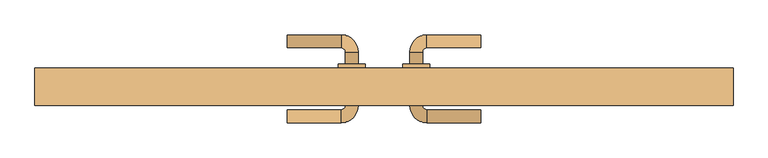
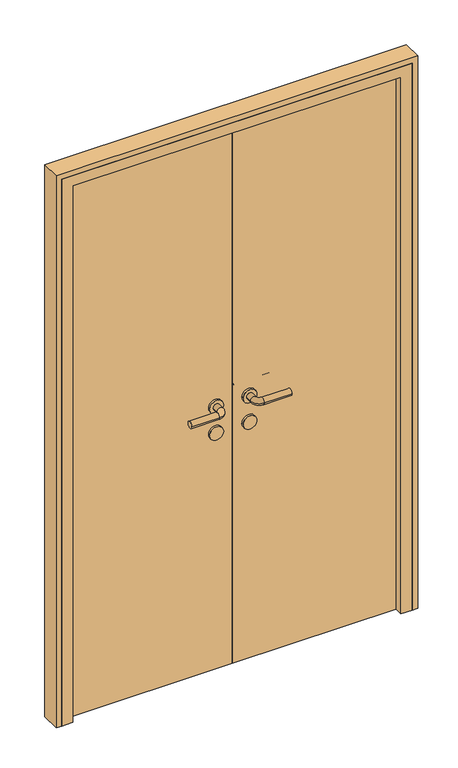
"""IFC4 building model written with IfcOpenShell, lengths in millimetres: door geometry."""

from ifc_helpers import new_model, si_unit, point, frame, frame_2d, origin, origin_with_axes, place, context, project, spatial, polyline, circle_curve, ellipse_curve, trimmed, segment, composite_curve, outline, extrude, faceted_brep, source, transform, mapped, element, save
from ifc_brep_helpers import plane_surface, cylinder_surface, revolved_surface, advanced_brep


def door_662453b5(model_context):
    return source(origin(), model_context, "Body", "SolidModel", [
        advanced_brep(
        [(-180.0, 162.0, 1000.0), (-180.0, 138.0, 1000.0), (-80.0, 138.0, 1000.0), (-80.0, 162.0, 1000.0), (-72.0, 130.0, 1000.0), (-48.0, 130.0, 1000.0), (-48.0, 30.0, 1000.0), (-48.0, 52.0, 1000.0), (-72.0, 52.0, 1000.0), (-72.0, 30.0, 1000.0), (-72.0, 108.0, 1000.0), (-48.0, 108.0, 1000.0), (-80.0, 22.0, 1000.0), (-80.0, -2.0, 1000.0), (-180.0, -2.0, 1000.0), (-180.0, 22.0, 1000.0), (-35.0, 108.0, 1000.0), (-85.0, 108.0, 1000.0), (-35.0, 52.0, 1000.0), (-85.0, 52.0, 1000.0)],
        [
            (0, 1, circle_curve(frame((-180.0, 150.0, 1000.0), z_axis=(-1.0, 0.0, 0.0), x_axis=(0.0, -1.0, 0.0)), 12.0)),
            (1, 0, circle_curve(frame((-180.0, 150.0, 1000.0), z_axis=(-1.0, 0.0, 0.0), x_axis=(0.0, -1.0, 0.0)), 12.0)),
            (1, 2),
            (2, 3, circle_curve(frame((-80.0, 150.0, 1000.0), z_axis=(-1.0, 0.0, 0.0), x_axis=(0.0, -1.0, 0.0)), 12.0)),
            (3, 0),
            (3, 2, circle_curve(frame((-80.0, 150.0, 1000.0), z_axis=(-1.0, 0.0, 0.0), x_axis=(0.0, -1.0, 0.0)), 12.0)),
            (2, 4, circle_curve(frame((-80.0, 130.0, 1000.0), z_axis=(0.0, 0.0, -1.0), x_axis=(0.0, 1.0, 0.0)), 8.0)),
            (4, 5, circle_curve(frame((-60.0, 130.0, 1000.0), z_axis=(0.0, 1.0, 0.0), x_axis=(-1.0, 0.0, 0.0)), 12.0)),
            (5, 3, circle_curve(frame((-80.0, 130.0, 1000.0), z_axis=(0.0, 0.0, 1.0), x_axis=(0.0, 1.0, 0.0)), 32.0)),
            (5, 4, circle_curve(frame((-60.0, 130.0, 1000.0), z_axis=(0.0, 1.0, 0.0), x_axis=(-1.0, 0.0, 0.0)), 12.0)),
            (6, 7),
            (7, 8, circle_curve(frame((-60.0, 52.0, 1000.0), z_axis=(0.0, -1.0, 0.0), x_axis=(-1.0, 0.0, 0.0)), 12.0)),
            (8, 9),
            (9, 6, circle_curve(frame((-60.0, 30.0, 1000.0), z_axis=(0.0, 1.0, 0.0), x_axis=(-1.0, 0.0, 0.0)), 12.0)),
            (4, 10),
            (10, 11, circle_curve(frame((-60.0, 108.0, 1000.0), z_axis=(0.0, 1.0, 0.0), x_axis=(-1.0, 0.0, 0.0)), 12.0)),
            (11, 5),
            (11, 10, circle_curve(frame((-60.0, 108.0, 1000.0), z_axis=(0.0, 1.0, 0.0), x_axis=(-1.0, 0.0, 0.0)), 12.0)),
            (8, 7, circle_curve(frame((-60.0, 52.0, 1000.0), z_axis=(0.0, -1.0, 0.0), x_axis=(-1.0, 0.0, 0.0)), 12.0)),
            (6, 9, circle_curve(frame((-60.0, 30.0, 1000.0), z_axis=(0.0, 1.0, 0.0), x_axis=(-1.0, 0.0, 0.0)), 12.0)),
            (9, 12, circle_curve(frame((-80.0, 30.0, 1000.0), z_axis=(0.0, 0.0, -1.0), x_axis=(1.0, 0.0, 0.0)), 8.0)),
            (12, 13, circle_curve(frame((-80.0, 10.0, 1000.0), z_axis=(1.0, 0.0, 0.0), x_axis=(0.0, 1.0, 0.0)), 12.0)),
            (13, 6, circle_curve(frame((-80.0, 30.0, 1000.0), z_axis=(0.0, 0.0, 1.0), x_axis=(1.0, 0.0, 0.0)), 32.0)),
            (13, 12, circle_curve(frame((-80.0, 10.0, 1000.0), z_axis=(1.0, 0.0, 0.0), x_axis=(0.0, 1.0, 0.0)), 12.0)),
            (14, 15, circle_curve(frame((-180.0, 10.0, 1000.0), z_axis=(-1.0, 0.0, 0.0), x_axis=(0.0, 1.0, 0.0)), 12.0)),
            (15, 14, circle_curve(frame((-180.0, 10.0, 1000.0), z_axis=(-1.0, 0.0, 0.0), x_axis=(0.0, 1.0, 0.0)), 12.0)),
            (12, 15),
            (14, 13),
            (16, 17, circle_curve(frame((-60.0, 108.0, 1000.0), z_axis=(0.0, 1.0, 0.0), x_axis=(-1.0, 0.0, 0.0)), 25.0)),
            (17, 16, circle_curve(frame((-60.0, 108.0, 1000.0), z_axis=(0.0, 1.0, 0.0), x_axis=(-1.0, 0.0, 0.0)), 25.0)),
            (18, 19, circle_curve(frame((-60.0, 52.0, 1000.0), z_axis=(0.0, -1.0, 0.0), x_axis=(-1.0, 0.0, 0.0)), 25.0)),
            (19, 18, circle_curve(frame((-60.0, 52.0, 1000.0), z_axis=(0.0, -1.0, 0.0), x_axis=(-1.0, 0.0, 0.0)), 25.0)),
            (16, 18),
            (19, 17),
        ],
        [
            plane_surface(frame((-180.0, 150.0, 1000.0), z_axis=(-1.0, 0.0, 0.0), x_axis=(0.0, 0.0, 1.0))),
            cylinder_surface(frame((-180.0, 150.0, 1000.0), z_axis=(-1.0, 0.0, 0.0), x_axis=(0.0, -1.0, 0.0)), 12.0),
            revolved_surface(trimmed(ellipse_curve(frame((-80.0, 150.0, 1000.0), z_axis=(1.0, 0.0, 0.0), x_axis=(0.0, -1.0, 0.0)), 12.0, 12.0), [point((-80.0, 162.0, 1000.0))], [point((-80.0, 138.0, 1000.0))], True, "CARTESIAN"), (-80.0, 130.0, 1000.0), (0.0, 0.0, 1.0)),
            revolved_surface(trimmed(ellipse_curve(frame((-80.0, 150.0, 1000.0), z_axis=(1.0, 0.0, 0.0), x_axis=(0.0, -1.0, 0.0)), 12.0, 12.0), [point((-80.0, 138.0, 1000.0))], [point((-80.0, 162.0, 1000.0))], True, "CARTESIAN"), (-80.0, 130.0, 1000.0), (0.0, 0.0, 1.0)),
            cylinder_surface(frame((-60.0, 130.0, 1000.0), z_axis=(0.0, 1.0, 0.0), x_axis=(-1.0, 0.0, 0.0)), 12.0),
            revolved_surface(trimmed(ellipse_curve(frame((-60.0, 30.0, 1000.0), z_axis=(0.0, -1.0, 0.0), x_axis=(-1.0, 0.0, 0.0)), 12.0, 12.0), [point((-48.0, 30.0, 1000.0))], [point((-72.0, 30.0, 1000.0))], True, "CARTESIAN"), (-80.0, 30.0, 1000.0), (0.0, 0.0, 1.0)),
            revolved_surface(trimmed(ellipse_curve(frame((-60.0, 30.0, 1000.0), z_axis=(0.0, -1.0, 0.0), x_axis=(-1.0, 0.0, 0.0)), 12.0, 12.0), [point((-72.0, 30.0, 1000.0))], [point((-48.0, 30.0, 1000.0))], True, "CARTESIAN"), (-80.0, 30.0, 1000.0), (0.0, 0.0, 1.0)),
            plane_surface(frame((-180.0, 10.0, 1000.0), z_axis=(-1.0, 0.0, 0.0), x_axis=(0.0, 0.0, 1.0))),
            cylinder_surface(frame((-80.0, 10.0, 1000.0), z_axis=(1.0, 0.0, 0.0), x_axis=(0.0, 1.0, 0.0)), 12.0),
            plane_surface(frame((-85.0, 108.0, 1000.0), z_axis=(0.0, 1.0, 0.0), x_axis=(0.0, 0.0, -1.0))),
            plane_surface(frame((-85.0, 52.0, 1000.0), z_axis=(0.0, -1.0, 0.0), x_axis=(0.0, 0.0, 1.0))),
            cylinder_surface(frame((-60.0, 108.0, 1000.0), z_axis=(0.0, -1.0, 0.0), x_axis=(-1.0, 0.0, 0.0)), 25.0),
        ],
        [
            (0, [[1, 2]]),
            (1, [[3, 4, 5, -2]]),
            (1, [[-5, 6, -3, -1]]),
            (2, [[7, 8, 9, -4]]),
            (3, [[-9, 10, -7, -6]]),
            (4, [[11, 12, 13, 14]]),
            (4, [[15, 16, 17, -8]]),
            (4, [[-17, 18, -15, -10]]),
            (4, [[-13, 19, -11, 20]]),
            (5, [[21, 22, 23, -14]]),
            (6, [[-23, 24, -21, -20]]),
            (7, [[25, 26]]),
            (8, [[27, -25, 28, -22]]),
            (8, [[-28, -26, -27, -24]]),
            (9, [[29, 30], [-18, -16]]),
            (10, [[31, 32], [-19, -12]]),
            (11, [[33, -32, 34, -29]]),
            (11, [[-34, -31, -33, -30]]),
        ],
    ),
        extrude(outline(composite_curve([segment(trimmed(circle_curve(frame_2d((900.0, -60.0)), 25.0), [point((900.0, -35.0))], [point((900.0, -85.0))], False, "CARTESIAN"), True, "CONTINUOUS"), segment(trimmed(circle_curve(frame_2d((900.0, -60.0)), 25.0), [point((900.0, -85.0))], [point((900.0, -35.0))], False, "CARTESIAN"), True, "CONTINUOUS")], self_intersect=False)), frame((0.0, 52.0, 0.0), z_axis=(0.0, 1.0, 0.0), x_axis=(0.0, 0.0, 1.0)), (0.0, 0.0, 1.0), 56.0),
        advanced_brep(
        [(180.0, 162.0, 1000.0), (180.0, 138.0, 1000.0), (80.0, 162.0, 1000.0), (80.0, 138.0, 1000.0), (48.0, 130.0, 1000.0), (72.0, 130.0, 1000.0), (48.0, 108.0, 1000.0), (72.0, 108.0, 1000.0), (48.0, 30.0, 1000.0), (72.0, 30.0, 1000.0), (72.0, 52.0, 1000.0), (48.0, 52.0, 1000.0), (80.0, -2.0, 1000.0), (80.0, 22.0, 1000.0), (180.0, -2.0, 1000.0), (180.0, 22.0, 1000.0), (35.0, 108.0, 1000.0), (85.0, 108.0, 1000.0), (35.0, 52.0, 1000.0), (85.0, 52.0, 1000.0)],
        [
            (0, 1, circle_curve(frame((180.0, 150.0, 1000.0), z_axis=(1.0, 0.0, 0.0), x_axis=(0.0, -1.0, 0.0)), 12.0)),
            (1, 0, circle_curve(frame((180.0, 150.0, 1000.0), z_axis=(1.0, 0.0, 0.0), x_axis=(0.0, -1.0, 0.0)), 12.0)),
            (0, 2),
            (2, 3, circle_curve(frame((80.0, 150.0, 1000.0), z_axis=(1.0, 0.0, 0.0), x_axis=(0.0, -1.0, 0.0)), 12.0)),
            (3, 1),
            (3, 2, circle_curve(frame((80.0, 150.0, 1000.0), z_axis=(1.0, 0.0, 0.0), x_axis=(0.0, -1.0, 0.0)), 12.0)),
            (2, 4, circle_curve(frame((80.0, 130.0, 1000.0), z_axis=(0.0, 0.0, 1.0), x_axis=(0.0, 1.0, 0.0)), 32.0)),
            (4, 5, circle_curve(frame((60.0, 130.0, 1000.0), z_axis=(0.0, 1.0, 0.0), x_axis=(1.0, 0.0, 0.0)), 12.0)),
            (5, 3, circle_curve(frame((80.0, 130.0, 1000.0), z_axis=(0.0, 0.0, -1.0), x_axis=(0.0, 1.0, 0.0)), 8.0)),
            (5, 4, circle_curve(frame((60.0, 130.0, 1000.0), z_axis=(0.0, 1.0, 0.0), x_axis=(1.0, 0.0, 0.0)), 12.0)),
            (4, 6),
            (6, 7, circle_curve(frame((60.0, 108.0, 1000.0), z_axis=(0.0, 1.0, 0.0), x_axis=(1.0, 0.0, 0.0)), 12.0)),
            (7, 5),
            (8, 9, circle_curve(frame((60.0, 30.0, 1000.0), z_axis=(0.0, 1.0, 0.0), x_axis=(1.0, 0.0, 0.0)), 12.0)),
            (9, 10),
            (10, 11, circle_curve(frame((60.0, 52.0, 1000.0), z_axis=(0.0, -1.0, 0.0), x_axis=(1.0, 0.0, 0.0)), 12.0)),
            (11, 8),
            (7, 6, circle_curve(frame((60.0, 108.0, 1000.0), z_axis=(0.0, 1.0, 0.0), x_axis=(1.0, 0.0, 0.0)), 12.0)),
            (9, 8, circle_curve(frame((60.0, 30.0, 1000.0), z_axis=(0.0, 1.0, 0.0), x_axis=(1.0, 0.0, 0.0)), 12.0)),
            (11, 10, circle_curve(frame((60.0, 52.0, 1000.0), z_axis=(0.0, -1.0, 0.0), x_axis=(1.0, 0.0, 0.0)), 12.0)),
            (8, 12, circle_curve(frame((80.0, 30.0, 1000.0), z_axis=(0.0, 0.0, 1.0), x_axis=(-1.0, 0.0, 0.0)), 32.0)),
            (12, 13, circle_curve(frame((80.0, 10.0, 1000.0), z_axis=(-1.0, 0.0, 0.0), x_axis=(0.0, 1.0, 0.0)), 12.0)),
            (13, 9, circle_curve(frame((80.0, 30.0, 1000.0), z_axis=(0.0, 0.0, -1.0), x_axis=(-1.0, 0.0, 0.0)), 8.0)),
            (13, 12, circle_curve(frame((80.0, 10.0, 1000.0), z_axis=(-1.0, 0.0, 0.0), x_axis=(0.0, 1.0, 0.0)), 12.0)),
            (14, 15, circle_curve(frame((180.0, 10.0, 1000.0), z_axis=(1.0, 0.0, 0.0), x_axis=(0.0, 1.0, 0.0)), 12.0)),
            (15, 14, circle_curve(frame((180.0, 10.0, 1000.0), z_axis=(1.0, 0.0, 0.0), x_axis=(0.0, 1.0, 0.0)), 12.0)),
            (12, 14),
            (15, 13),
            (16, 17, circle_curve(frame((60.0, 108.0, 1000.0), z_axis=(0.0, 1.0, 0.0), x_axis=(1.0, 0.0, 0.0)), 25.0)),
            (17, 16, circle_curve(frame((60.0, 108.0, 1000.0), z_axis=(0.0, 1.0, 0.0), x_axis=(1.0, 0.0, 0.0)), 25.0)),
            (18, 19, circle_curve(frame((60.0, 52.0, 1000.0), z_axis=(0.0, -1.0, 0.0), x_axis=(1.0, 0.0, 0.0)), 25.0)),
            (19, 18, circle_curve(frame((60.0, 52.0, 1000.0), z_axis=(0.0, -1.0, 0.0), x_axis=(1.0, 0.0, 0.0)), 25.0)),
            (17, 19),
            (18, 16),
        ],
        [
            plane_surface(frame((180.0, 150.0, 1000.0), z_axis=(1.0, 0.0, 0.0), x_axis=(0.0, 0.0, 1.0))),
            cylinder_surface(frame((180.0, 150.0, 1000.0), z_axis=(1.0, 0.0, 0.0), x_axis=(0.0, -1.0, 0.0)), 12.0),
            revolved_surface(trimmed(ellipse_curve(frame((80.0, 150.0, 1000.0), z_axis=(1.0, 0.0, 0.0), x_axis=(0.0, -1.0, 0.0)), 12.0, 12.0), [point((80.0, 162.0, 1000.0))], [point((80.0, 138.0, 1000.0))], True, "CARTESIAN"), (80.0, 130.0, 1000.0), (0.0, 0.0, 1.0)),
            revolved_surface(trimmed(ellipse_curve(frame((80.0, 150.0, 1000.0), z_axis=(1.0, 0.0, 0.0), x_axis=(0.0, -1.0, 0.0)), 12.0, 12.0), [point((80.0, 138.0, 1000.0))], [point((80.0, 162.0, 1000.0))], True, "CARTESIAN"), (80.0, 130.0, 1000.0), (0.0, 0.0, 1.0)),
            cylinder_surface(frame((60.0, 130.0, 1000.0), z_axis=(0.0, 1.0, 0.0), x_axis=(1.0, 0.0, 0.0)), 12.0),
            revolved_surface(trimmed(ellipse_curve(frame((60.0, 30.0, 1000.0), z_axis=(0.0, 1.0, 0.0), x_axis=(1.0, 0.0, 0.0)), 12.0, 12.0), [point((48.0, 30.0, 1000.0))], [point((72.0, 30.0, 1000.0))], True, "CARTESIAN"), (80.0, 30.0, 1000.0), (0.0, 0.0, 1.0)),
            revolved_surface(trimmed(ellipse_curve(frame((60.0, 30.0, 1000.0), z_axis=(0.0, 1.0, 0.0), x_axis=(1.0, 0.0, 0.0)), 12.0, 12.0), [point((72.0, 30.0, 1000.0))], [point((48.0, 30.0, 1000.0))], True, "CARTESIAN"), (80.0, 30.0, 1000.0), (0.0, 0.0, 1.0)),
            plane_surface(frame((180.0, 10.0, 1000.0), z_axis=(1.0, 0.0, 0.0), x_axis=(0.0, 0.0, 1.0))),
            cylinder_surface(frame((80.0, 10.0, 1000.0), z_axis=(-1.0, 0.0, 0.0), x_axis=(0.0, 1.0, 0.0)), 12.0),
            plane_surface(frame((85.0, 108.0, 1000.0), z_axis=(0.0, 1.0, 0.0), x_axis=(0.0, 0.0, -1.0))),
            plane_surface(frame((85.0, 52.0, 1000.0), z_axis=(0.0, -1.0, 0.0), x_axis=(0.0, 0.0, 1.0))),
            cylinder_surface(frame((60.0, 108.0, 1000.0), z_axis=(0.0, -1.0, 0.0), x_axis=(1.0, 0.0, 0.0)), 25.0),
        ],
        [
            (0, [[1, 2]]),
            (1, [[-1, 3, 4, 5]]),
            (1, [[-2, -5, 6, -3]]),
            (2, [[-4, 7, 8, 9]]),
            (3, [[-6, -9, 10, -7]]),
            (4, [[-8, 11, 12, 13]]),
            (4, [[14, 15, 16, 17]]),
            (4, [[-10, -13, 18, -11]]),
            (4, [[19, -17, 20, -15]]),
            (5, [[-14, 21, 22, 23]]),
            (6, [[-19, -23, 24, -21]]),
            (7, [[25, 26]]),
            (8, [[-22, 27, -26, 28]]),
            (8, [[-24, -28, -25, -27]]),
            (9, [[29, 30], [-12, -18]]),
            (10, [[31, 32], [-16, -20]]),
            (11, [[-30, 33, -31, 34]]),
            (11, [[-29, -34, -32, -33]]),
        ],
    ),
        extrude(outline(composite_curve([segment(trimmed(circle_curve(frame_2d((900.0, 60.0)), 25.0), [point((900.0, 35.0))], [point((900.0, 85.0))], False, "CARTESIAN"), True, "CONTINUOUS"), segment(trimmed(circle_curve(frame_2d((900.0, 60.0)), 25.0), [point((900.0, 85.0))], [point((900.0, 35.0))], False, "CARTESIAN"), True, "CONTINUOUS")], self_intersect=False)), frame((0.0, 52.0, 0.0), z_axis=(0.0, 1.0, 0.0), x_axis=(0.0, 0.0, 1.0)), (0.0, 0.0, 1.0), 56.0),
        extrude(outline(polyline([(0.0, 60.0), (-600.0, 60.0), (-600.0, 100.0), (0.0, 100.0), (0.0, 60.0)])), origin_with_axes(), (0.0, 0.0, 1.0), 2050.0),
        extrude(outline(polyline([(600.0, 60.0), (0.0, 60.0), (0.0, 100.0), (600.0, 100.0), (600.0, 60.0)])), origin_with_axes(), (0.0, 0.0, 1.0), 2050.0),
        extrude(outline(polyline([(0.0, 650.0), (2100.0, 650.0), (2100.0, -650.0), (0.0, -650.0), (0.0, -630.0), (2080.0, -630.0), (2080.0, 630.0), (0.0, 630.0), (0.0, 650.0)])), frame((0.0, 30.0, 0.0), z_axis=(0.0, 1.0, 0.0), x_axis=(0.0, 0.0, 1.0)), (0.0, 0.0, 1.0), 70.0),
        faceted_brep([(-630.0, 30.0, 0.0), (-630.0, 100.0, 0.0), (-600.0, 100.0, 0.0), (-600.0, 60.0, 0.0), (-590.0, 60.0, 0.0), (-590.0, 30.0, 0.0), (-630.0, 30.0, 2080.0), (-630.0, 100.0, 2080.0), (630.0, 100.0, 2080.0), (630.0, 100.0, 0.0), (600.0, 100.0, 0.0), (600.0, 100.0, 2050.0), (-600.0, 100.0, 2050.0), (-600.0, 60.0, 2050.0), (600.0, 60.0, 2050.0), (600.0, 60.0, 0.0), (590.0, 60.0, 0.0), (590.0, 60.0, 2040.0), (-590.0, 60.0, 2040.0), (-590.0, 30.0, 2040.0), (590.0, 30.0, 2040.0), (590.0, 30.0, 0.0), (630.0, 30.0, 0.0), (630.0, 30.0, 2080.0)], [[[0, 1, 2, 3, 4, 5]], [[1, 0, 6, 7]], [[2, 1, 7, 8, 9, 10, 11, 12]], [[3, 2, 12, 13]], [[4, 3, 13, 14, 15, 16, 17, 18]], [[5, 4, 18, 19]], [[0, 5, 19, 20, 21, 22, 23, 6]], [[7, 6, 23, 8]], [[13, 12, 11, 14]], [[19, 18, 17, 20]], [[22, 21, 16, 15, 10, 9]], [[8, 23, 22, 9]], [[14, 11, 10, 15]], [[20, 17, 16, 21]]]),
    ])


if __name__ == "__main__":
    model = new_model("IFC4")
    model_context = context("Model", 3, world=origin())
    ifc_project = project(units=[si_unit("LENGTHUNIT", "METRE", prefix="MILLI")], contexts=[model_context])
    site = spatial("IfcSite", under=ifc_project)
    building = spatial("IfcBuilding", under=site)
    placement = place(None, origin())
    door_shape = door_662453b5(model_context)
    element("IfcDoor", 1, at=placement, inside=building, context=model_context, shape_type="MappedRepresentation", body=[
        mapped(door_shape, transform((0.0, 0.0, 0.0), x_axis=(1.0, 0.0, 0.0), y_axis=(0.0, 1.0, 0.0), z_axis=(0.0, 0.0, 1.0))),
    ])
    save(model, "model.ifc")
